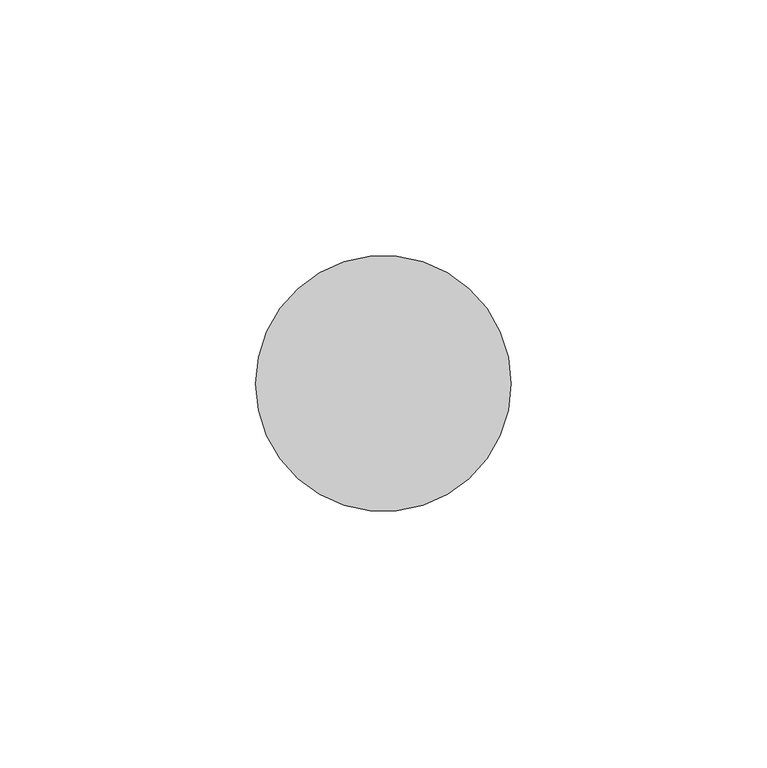
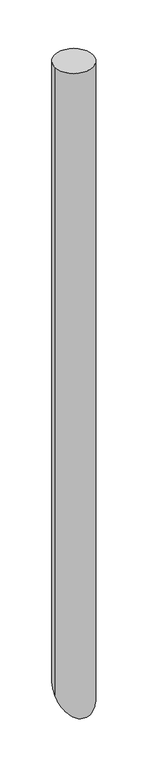
"""IFC4 building model written with IfcOpenShell, lengths in millimetres: member geometry."""

import ifcopenshell
import ifcopenshell.guid

model = None  # the IFC model being written
_history = None  # IfcOwnerHistory: only IFC2X3 demands one
_inside = {}  # id of a spatial element -> (the spatial element, [elements in it])
_under = {}  # id of a project, library or spatial element -> (it, [spatial elements below it])
_declared = {}  # id of a project -> (the project, [libraries it declares])
_typed = {}  # id of a type object -> (the type object, [elements of that type])
_made_of = {}  # id of a material, layer set ... -> (it, [elements and type objects made of it])


def new_model(schema):
    """Start an empty IFC model of exactly this schema.

    Asked for "IFC4X3", IfcOpenShell would pick the latest addendum, in which some entities
    have other attributes; the version numbers below select the first issue.
    IFC2X3 requires an IfcOwnerHistory on every rooted entity: one is made here for all.
    """
    global model, _history
    if schema == "IFC4X3":
        model = ifcopenshell.file(schema_version=(4, 3, 0, 0))
    else:
        model = ifcopenshell.file(schema=schema)
    _inside.clear()
    _under.clear()
    _declared.clear()
    _typed.clear()
    _made_of.clear()
    _history = None
    if model.schema == "IFC2X3":
        org = make("IfcOrganization", Name="unknown")
        user = make(
            "IfcPersonAndOrganization",
            ThePerson=make("IfcPerson", FamilyName="unknown"),
            TheOrganization=org,
        )
        app = make(
            "IfcApplication",
            ApplicationDeveloper=org,
            Version="unknown",
            ApplicationFullName="unknown",
            ApplicationIdentifier="unknown",
        )
        _history = make(
            "IfcOwnerHistory",
            OwningUser=user,
            OwningApplication=app,
            ChangeAction="ADDED",
            CreationDate=0,
        )
    return model


def make(cls, **values):
    """One entity of the class cls with the attributes given. An attribute that is None is left unset."""
    return model.create_entity(
        cls, **{name: value for name, value in values.items() if value is not None}
    )


def rooted(cls, **values):
    """An entity with a GlobalId (a new one), such as an element, a storey or a relation."""
    return make(cls, GlobalId=ifcopenshell.guid.new(), OwnerHistory=_history, **values)


def si_unit(unit_type, name, prefix=None):
    """IfcSIUnit, for example si_unit("LENGTHUNIT", "METRE", prefix="MILLI")."""
    return make("IfcSIUnit", UnitType=unit_type, Prefix=prefix, Name=name)


def assignment(units):
    """IfcUnitAssignment: the units of a project."""
    return None if units is None else make("IfcUnitAssignment", Units=units)


def point(xyz):
    """IfcCartesianPoint."""
    return None if xyz is None else make("IfcCartesianPoint", Coordinates=xyz)


def direction(xyz):
    """IfcDirection."""
    return None if xyz is None else make("IfcDirection", DirectionRatios=xyz)


def frame(location, z_axis=None, x_axis=None):
    """IfcAxis2Placement3D, a coordinate frame: its origin and axes. An axis left out is left unset."""
    return make(
        "IfcAxis2Placement3D",
        Location=point(location),
        Axis=direction(z_axis),
        RefDirection=direction(x_axis),
    )


def origin():
    """The frame at (0, 0, 0) with its axes left unset."""
    return frame((0.0, 0.0, 0.0))


def origin_with_axes():
    """The frame at (0, 0, 0) with the z axis (0, 0, 1) and the x axis (1, 0, 0) written out."""
    return frame((0.0, 0.0, 0.0), z_axis=(0.0, 0.0, 1.0), x_axis=(1.0, 0.0, 0.0))


def place(relative_to, where):
    """IfcLocalPlacement: puts the frame where relative to a parent placement (None: the world)."""
    return make(
        "IfcLocalPlacement", PlacementRelTo=relative_to, RelativePlacement=where
    )


def context(
    kind, dimensions, precision=None, world=None, true_north=None, identifier=None
):
    """IfcGeometricRepresentationContext, for example the 3D "Model" context."""
    return make(
        "IfcGeometricRepresentationContext",
        ContextIdentifier=identifier,
        ContextType=kind,
        CoordinateSpaceDimension=dimensions,
        Precision=precision,
        WorldCoordinateSystem=world,
        TrueNorth=true_north,
    )


def project(units=None, contexts=None):
    """IfcProject with its units and contexts."""
    return rooted(
        "IfcProject",
        Name="project",
        RepresentationContexts=contexts,
        UnitsInContext=assignment(units),
    )


def spatial(cls, under=None, at=None, **own):
    """A site, building, storey or space (cls), placed at a placement, below another one or the project."""
    s = rooted(cls, ObjectPlacement=at, **own)
    if under is not None:
        _under.setdefault(under.id(), (under, []))[1].append(s)
    return s


def circle_curve(where, radius):
    """IfcCircle in the frame where."""
    return make("IfcCircle", Position=where, Radius=radius)


def ellipse_curve(where, semi_axis1, semi_axis2):
    """IfcEllipse in the frame where."""
    return make(
        "IfcEllipse", Position=where, SemiAxis1=semi_axis1, SemiAxis2=semi_axis2
    )


def shape(context_of_items, identifier, shape_type, items):
    """IfcShapeRepresentation: the items that make up one representation, for example the "Body"."""
    return make(
        "IfcShapeRepresentation",
        ContextOfItems=context_of_items,
        RepresentationIdentifier=identifier,
        RepresentationType=shape_type,
        Items=items,
    )


def source(mapping_origin, context_of_items, identifier, shape_type, items):
    """IfcRepresentationMap: a shape defined once, which mapped items show again and again."""
    return make(
        "IfcRepresentationMap",
        MappingOrigin=mapping_origin,
        MappedRepresentation=shape(context_of_items, identifier, shape_type, items),
    )


def transform(
    local_origin,
    x_axis=None,
    y_axis=None,
    z_axis=None,
    scale=None,
    scale2=None,
    scale3=None,
    uniform=True,
):
    """IfcCartesianTransformationOperator3D, or its non-uniform kind. x_axis, y_axis, z_axis: its Axis1, 2, 3."""
    if uniform:
        return make(
            "IfcCartesianTransformationOperator3D",
            Axis1=direction(x_axis),
            Axis2=direction(y_axis),
            LocalOrigin=point(local_origin),
            Scale=scale,
            Axis3=direction(z_axis),
        )
    return make(
        "IfcCartesianTransformationOperator3DnonUniform",
        Axis1=direction(x_axis),
        Axis2=direction(y_axis),
        LocalOrigin=point(local_origin),
        Scale=scale,
        Axis3=direction(z_axis),
        Scale2=scale2,
        Scale3=scale3,
    )


def mapped(mapping_source, mapping_target):
    """IfcMappedItem: shows the shape of a source again, moved by a transform."""
    return make(
        "IfcMappedItem", MappingSource=mapping_source, MappingTarget=mapping_target
    )


def made_of(thing, what):
    """Note that an element or type object is made of a material, layer set ...; save() writes the relation."""
    if what is not None:
        _made_of.setdefault(what.id(), (what, []))[1].append(thing)
    return thing


def element(
    cls,
    number,
    at=None,
    inside=None,
    cuts=None,
    type_object=None,
    material=None,
    context=None,
    identifier="Body",
    shape_type=None,
    held_by="IfcProductDefinitionShape",
    body=None,
    shapes=None,
    **own,
):
    """One element of the class cls, such as IfcWall. Its Tag is "e" and its number.

    at: its placement. inside: the storey or other place that contains it. cuts: it is an
    opening in that element (IfcRelVoidsElement). A single representation is given by context,
    identifier, shape_type and body (its items); several are given by shapes. held_by: the class
    of the entity that holds the representations. save() writes the other relations.
    """
    e = rooted(cls, Tag="e%d" % number, ObjectPlacement=at, **own)
    if body is not None:
        shapes = [shape(context, identifier, shape_type, body)]
    if shapes is not None:
        e.Representation = make(held_by, Representations=shapes)
    if inside is not None:
        _inside.setdefault(inside.id(), (inside, []))[1].append(e)
    if cuts is not None:
        rooted(
            "IfcRelVoidsElement", RelatingBuildingElement=cuts, RelatedOpeningElement=e
        )
    if type_object is not None:
        _typed.setdefault(type_object.id(), (type_object, []))[1].append(e)
    return made_of(e, material)


def aggregate(whole, parts):
    """IfcRelAggregates: a whole, such as a stair, and the parts it consists of."""
    return rooted("IfcRelAggregates", RelatingObject=whole, RelatedObjects=parts)


def save(model, path):
    """Write the relations noted so far, then the file.

    IfcRelAggregates (storeys below a building ...), IfcRelContainedInSpatialStructure (elements
    in a storey), IfcRelDefinesByType, IfcRelAssociatesMaterial and IfcRelDeclares: one each for
    every whole, place, type object, material and project.
    """
    for whole, parts in _under.values():
        aggregate(whole, parts)
    for where, things in _inside.values():
        rooted(
            "IfcRelContainedInSpatialStructure",
            RelatedElements=things,
            RelatingStructure=where,
        )
    for kind, things in _typed.values():
        rooted("IfcRelDefinesByType", RelatedObjects=things, RelatingType=kind)
    for what, things in _made_of.values():
        rooted("IfcRelAssociatesMaterial", RelatedObjects=things, RelatingMaterial=what)
    for by, libraries in _declared.values():
        rooted("IfcRelDeclares", RelatingContext=by, RelatedDefinitions=libraries)
    model.write(path)


def plane_surface(at):
    """IfcPlane: the flat surface through the origin of the frame at, square to its z axis."""
    return make("IfcPlane", Position=at)


def cylinder_surface(at, radius):
    """IfcCylindricalSurface: all points at the distance radius from the z axis of the frame at."""
    return make("IfcCylindricalSurface", Position=at, Radius=radius)


def advanced_brep(points, edges, surfaces, faces):
    """IfcAdvancedBrep: a solid bounded by faces that lie on surfaces and meet in shared edges.

    An edge is (start, end): straight between two places in points (the first is 0);
    or (start, end, curve); or (start, end, curve, False) where it runs against its curve.
    A face is (place in surfaces, loops), or (place, loops, False) where it looks against
    its surface's normal. A loop lists edges by number (the first is 1), with a minus sign
    where the edge is run from its end to its start. The first loop is the outer one.
    """
    corners = [point(p) for p in points]
    vertices = [make("IfcVertexPoint", VertexGeometry=c) for c in corners]
    made = []
    for start, end, *more in edges:
        made.append(
            make(
                "IfcEdgeCurve",
                EdgeStart=vertices[start],
                EdgeEnd=vertices[end],
                EdgeGeometry=more[0] if more else make("IfcPolyline", Points=[corners[start], corners[end]]),
                SameSense=more[1] if len(more) > 1 else True,
            )
        )
    hull = []
    for where, loops, *sense in faces:
        bounds = []
        for j, loop in enumerate(loops):
            ring = [make("IfcOrientedEdge", EdgeElement=made[abs(k) - 1], Orientation=k > 0) for k in loop]
            bounds.append(
                make(
                    "IfcFaceOuterBound" if j == 0 else "IfcFaceBound",
                    Bound=make("IfcEdgeLoop", EdgeList=ring),
                    Orientation=True,
                )
            )
        hull.append(make("IfcAdvancedFace", Bounds=bounds, FaceSurface=surfaces[where], SameSense=sense[0] if sense else True))
    return make("IfcAdvancedBrep", Outer=make("IfcClosedShell", CfsFaces=hull))


def member_7faaf043(model_context):
    return source(origin(), model_context, "Body", "AdvancedBrep", [
        advanced_brep(
        [(25.0, 0.0, 0.0), (-25.0, 0.0, 0.0), (25.0, 0.0, -875.0), (-25.0, 0.0, -875.0)],
        [
            (0, 1, circle_curve(origin_with_axes(), 25.0)),
            (1, 0, circle_curve(origin_with_axes(), 25.0)),
            (0, 2),
            (2, 3, ellipse_curve(frame((0.0, 0.0, -875.0), z_axis=(0.0, -0.7071067811865471, 0.7071067811865479), x_axis=(0.0, 0.7071067811865479, 0.7071067811865471)), 35.3553391, 25.0)),
            (3, 1),
            (3, 2, ellipse_curve(frame((0.0, 0.0, -875.0), z_axis=(0.0, -0.7071067811865471, 0.7071067811865479), x_axis=(0.0, 0.7071067811865479, 0.7071067811865471)), 35.3553391, 25.0)),
        ],
        [
            plane_surface(frame((0.0, -25.0, 0.0), z_axis=(0.0, 0.0, 1.0), x_axis=(-1.0, 0.0, 0.0))),
            cylinder_surface(origin_with_axes(), 25.0),
            plane_surface(frame((-304.8, 0.0, -875.0), z_axis=(0.0, 0.7071067811865471, -0.7071067811865479), x_axis=(0.0, 0.7071067811865479, 0.7071067811865471))),
        ],
        [
            (0, [[1, 2]]),
            (1, [[-1, 3, 4, 5]]),
            (1, [[-2, -5, 6, -3]]),
            (2, [[-6, -4]]),
        ],
    ),
    ])


if __name__ == "__main__":
    model = new_model("IFC4")
    model_context = context("Model", 3, world=origin())
    ifc_project = project(units=[si_unit("LENGTHUNIT", "METRE", prefix="MILLI")], contexts=[model_context])
    site = spatial("IfcSite", under=ifc_project)
    building = spatial("IfcBuilding", under=site)
    placement = place(None, origin())
    member_shape = member_7faaf043(model_context)
    element("IfcMember", 1, at=placement, inside=building, context=model_context, shape_type="MappedRepresentation", body=[
        mapped(member_shape, transform((0.0, 0.0, 0.0), x_axis=(1.0, 0.0, 0.0), y_axis=(0.0, 1.0, 0.0), z_axis=(0.0, 0.0, 1.0))),
    ])
    save(model, "model.ifc")
